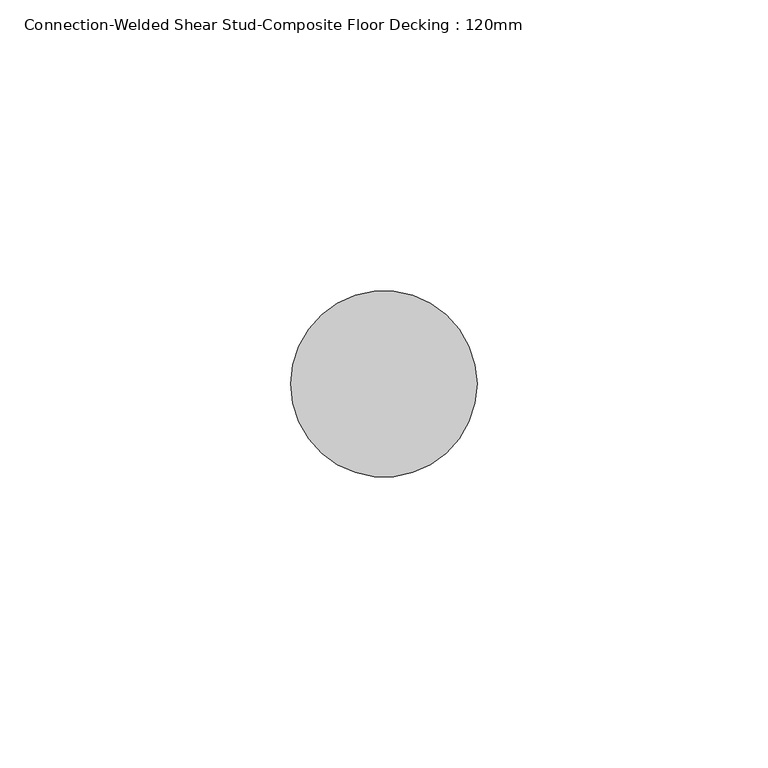
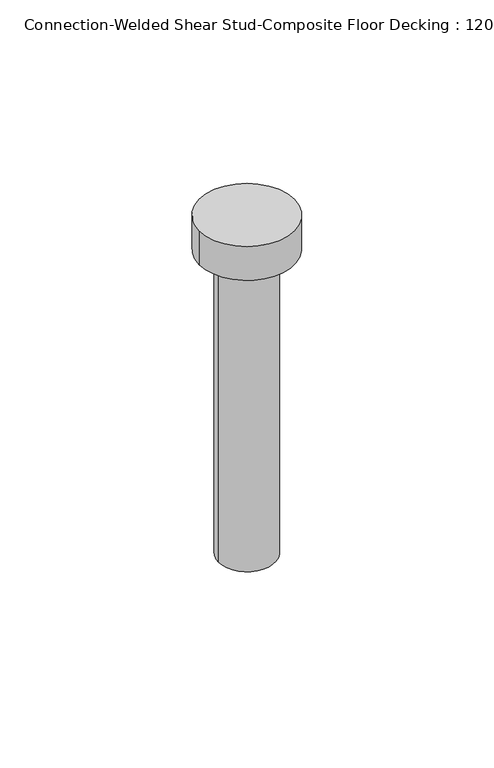
"""IFC4 building model written with IfcOpenShell, lengths in millimetres: fastener geometry, Connection-Welded Shear Stud-Composite Floor Decking : 120mm."""

from ifc_helpers import new_model, si_unit, point, frame, origin, origin_with_axes, origin_2d, place, context, project, spatial, circle_curve, trimmed, segment, composite_curve, outline, extrude, source, transform, mapped, element, save


def connection_welded_shear_stud_composite_floor_decking_120mm_b467cba7(model_context):
    return source(origin(), model_context, "Body", "SweptSolid", [
        extrude(outline(composite_curve([segment(trimmed(circle_curve(origin_2d(), 16.0), [point((16.0, 0.0))], [point((-16.0, 0.0))], False, "CARTESIAN"), True, "CONTINUOUS"), segment(trimmed(circle_curve(origin_2d(), 16.0), [point((-16.0, 0.0))], [point((16.0, 0.0))], False, "CARTESIAN"), True, "CONTINUOUS")], self_intersect=False)), frame((0.0, 0.0, 108.0), z_axis=(0.0, 0.0, 1.0), x_axis=(1.0, 0.0, 0.0)), (0.0, 0.0, 1.0), 12.0),
        extrude(outline(composite_curve([segment(trimmed(circle_curve(origin_2d(), 9.5), [point((-9.5, 0.0))], [point((9.5, 0.0))], False, "CARTESIAN"), True, "CONTINUOUS"), segment(trimmed(circle_curve(origin_2d(), 9.5), [point((9.5, 0.0))], [point((-9.5, 0.0))], False, "CARTESIAN"), True, "CONTINUOUS")], self_intersect=False)), origin_with_axes(), (0.0, 0.0, 1.0), 108.0),
    ])


if __name__ == "__main__":
    model = new_model("IFC4")
    model_context = context("Model", 3, world=origin())
    ifc_project = project(units=[si_unit("LENGTHUNIT", "METRE", prefix="MILLI")], contexts=[model_context])
    site = spatial("IfcSite", under=ifc_project)
    building = spatial("IfcBuilding", under=site)
    placement = place(None, origin())
    connection_welded_shear_stud_composite_floor_decking_120mm_shape = connection_welded_shear_stud_composite_floor_decking_120mm_b467cba7(model_context)
    element("IfcFastener", 1, ObjectType="Connection-Welded Shear Stud-Composite Floor Decking : 120mm", at=placement, inside=building, context=model_context, shape_type="MappedRepresentation", body=[
        mapped(connection_welded_shear_stud_composite_floor_decking_120mm_shape, transform((0.0, 0.0, 0.0), x_axis=(1.0, 0.0, 0.0), y_axis=(0.0, 1.0, 0.0), z_axis=(0.0, 0.0, 1.0))),
    ])
    save(model, "model.ifc")
